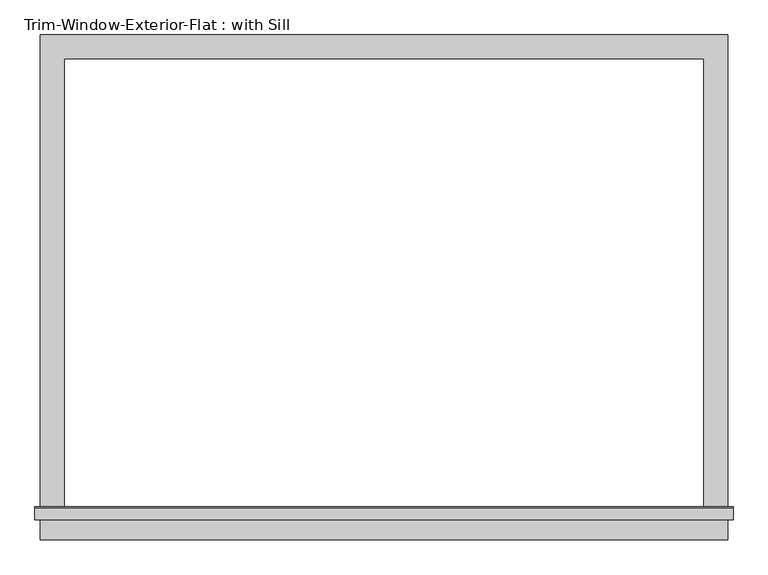
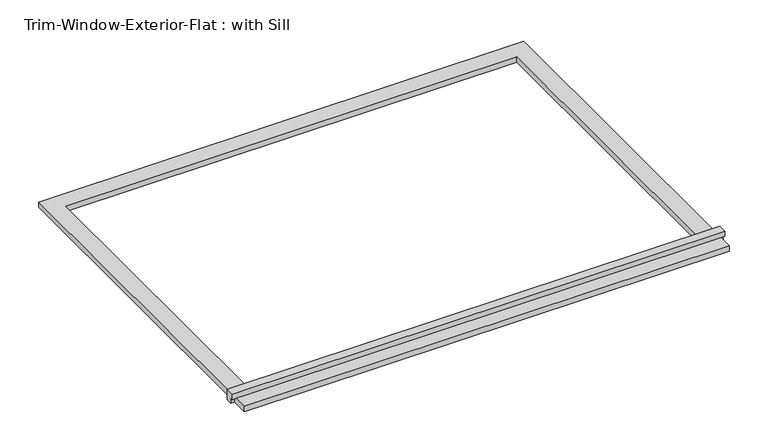
"""IFC4 building model written with IfcOpenShell, lengths in millimetres: proxy geometry, Trim-Window-Exterior-Flat : with Sill."""

from ifc_helpers import new_model, si_unit, frame, origin, origin_with_axes, place, context, project, spatial, polyline, outline, extrude, source, transform, mapped, element, save


def trim_window_exterior_flat_with_sill_60881cab(model_context):
    return source(origin(), model_context, "Body", "SweptSolid", [
        extrude(outline(polyline([(819.15, -1088.9823709), (819.15, -1146.1323709), (-819.15, -1146.1323709), (-819.15, -1088.9823709), (819.15, -1088.9823709)])), origin_with_axes(), (0.0, 0.0, 1.0), 19.05),
        extrude(outline(polyline([(-1098.55, 38.1), (-1069.2580645, 38.1), (-1066.8, 19.05), (-1066.8, 0.0), (-1088.9823709, 0.0), (-1088.9823709, 19.05), (-1098.55, 19.05), (-1098.55, 38.1)])), frame((-831.85, 0.0, 0.0), z_axis=(1.0, 0.0, 0.0), x_axis=(0.0, 1.0, 0.0)), (0.0, 0.0, 1.0), 1663.7),
        extrude(outline(polyline([(-819.15, 57.15), (819.15, 57.15), (819.15, -1066.8), (762.0, -1066.8), (762.0, 0.0), (-762.0, 0.0), (-762.0, -1066.8), (-819.15, -1066.8), (-819.15, 57.15)])), origin_with_axes(), (0.0, 0.0, 1.0), 19.05),
    ])


if __name__ == "__main__":
    model = new_model("IFC4")
    model_context = context("Model", 3, world=origin())
    ifc_project = project(units=[si_unit("LENGTHUNIT", "METRE", prefix="MILLI")], contexts=[model_context])
    site = spatial("IfcSite", under=ifc_project)
    building = spatial("IfcBuilding", under=site)
    placement = place(None, origin())
    trim_window_exterior_flat_with_sill_shape = trim_window_exterior_flat_with_sill_60881cab(model_context)
    element("IfcBuildingElementProxy", 1, Name="Trim-Window-Exterior-Flat : with Sill", ObjectType="Trim-Window-Exterior-Flat : with Sill", at=placement, inside=building, context=model_context, shape_type="MappedRepresentation", body=[
        mapped(trim_window_exterior_flat_with_sill_shape, transform((0.0, 0.0, 0.0), x_axis=(1.0, 0.0, 0.0), y_axis=(0.0, 1.0, 0.0), z_axis=(0.0, 0.0, 1.0))),
    ])
    save(model, "model.ifc")
